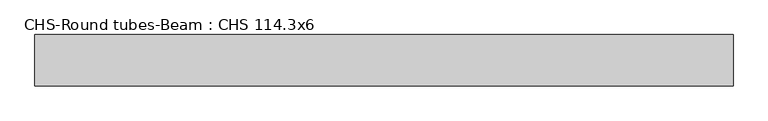
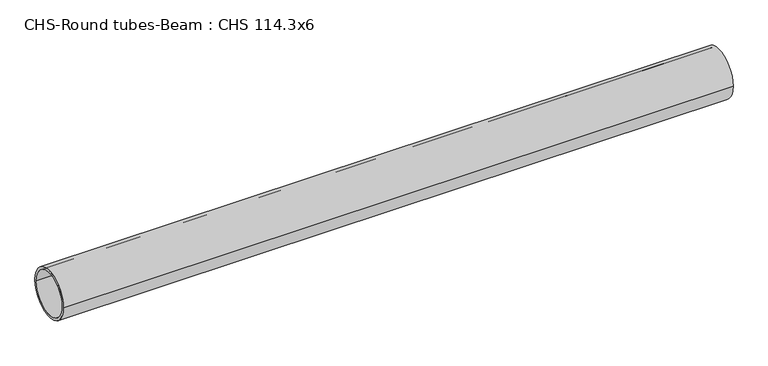
"""IFC4 building model written with IfcOpenShell, lengths in millimetres: beam geometry, CHS-Round tubes-Beam : CHS 114.3x6."""

from ifc_helpers import new_model, si_unit, point, frame, origin, origin_2d, place, context, project, spatial, circle_curve, trimmed, segment, composite_curve, outline, extrude, source, transform, mapped, element, save


def chs_round_tubes_beam_chs_114_3x6_b5e3c09e(model_context):
    return source(origin(), model_context, "Body", "SweptSolid", [
        extrude(outline(composite_curve([segment(trimmed(circle_curve(origin_2d(), 57.15), [point((57.15, 0.0))], [point((-57.15, 0.0))], False, "CARTESIAN"), True, "CONTINUOUS"), segment(trimmed(circle_curve(origin_2d(), 57.15), [point((-57.15, 0.0))], [point((57.15, 0.0))], False, "CARTESIAN"), True, "CONTINUOUS")], self_intersect=False), holes=[composite_curve([segment(trimmed(circle_curve(origin_2d(), 51.15), [point((51.15, 0.0))], [point((-51.15, 0.0))], True, "CARTESIAN"), True, "CONTINUOUS"), segment(trimmed(circle_curve(origin_2d(), 51.15), [point((-51.15, 0.0))], [point((51.15, 0.0))], True, "CARTESIAN"), True, "CONTINUOUS")], self_intersect=False)]), frame((-768.6759304, 0.0, 0.0), z_axis=(1.0, 0.0, 0.0), x_axis=(0.0, 1.0, 0.0)), (0.0, 0.0, 1.0), 1555.0887765),
    ])


if __name__ == "__main__":
    model = new_model("IFC4")
    model_context = context("Model", 3, world=origin())
    ifc_project = project(units=[si_unit("LENGTHUNIT", "METRE", prefix="MILLI")], contexts=[model_context])
    site = spatial("IfcSite", under=ifc_project)
    building = spatial("IfcBuilding", under=site)
    placement = place(None, origin())
    chs_round_tubes_beam_chs_114_3x6_shape = chs_round_tubes_beam_chs_114_3x6_b5e3c09e(model_context)
    element("IfcBeam", 1, ObjectType="CHS-Round tubes-Beam : CHS 114.3x6", at=placement, inside=building, context=model_context, shape_type="MappedRepresentation", body=[
        mapped(chs_round_tubes_beam_chs_114_3x6_shape, transform((0.0, 0.0, 0.0), x_axis=(1.0, 0.0, 0.0), y_axis=(0.0, 1.0, 0.0), z_axis=(0.0, 0.0, 1.0))),
    ])
    save(model, "model.ifc")
